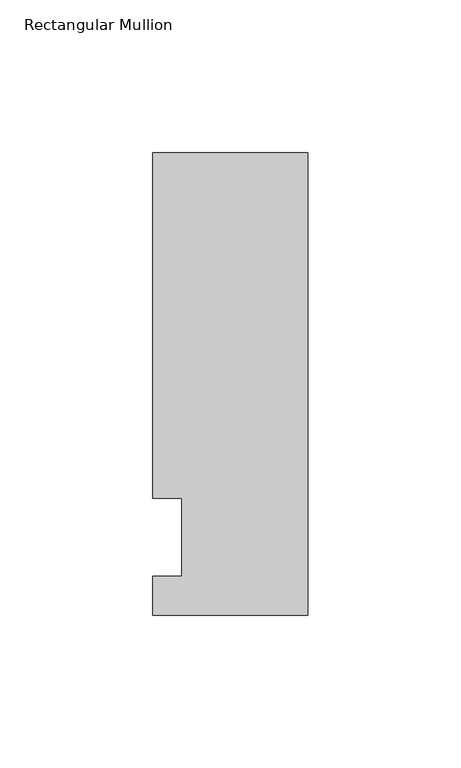
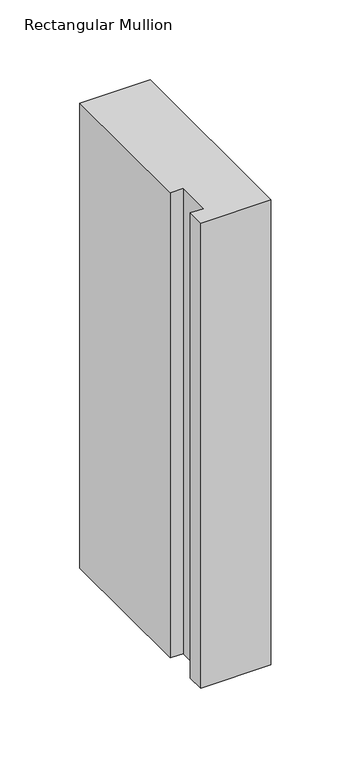
"""IFC4 building model written with IfcOpenShell, lengths in millimetres: member geometry, Rectangular Mullion."""

from ifc_helpers import new_model, si_unit, frame, origin, place, context, project, spatial, polyline, outline, extrude, source, transform, mapped, element, save


def rectangular_mullion_0ef3af2c(model_context):
    return source(origin(), model_context, "Body", "SweptSolid", [
        extrude(outline(polyline([(-50.8, -25.4508252), (-50.8, -12.7), (-41.275, -12.7), (-41.275, 12.7), (-50.8, 12.7), (-50.8, 125.8533), (0.0, 125.8533), (0.0, -25.4508252), (-50.8, -25.4508252)])), frame((0.0, 0.0, -355.6), z_axis=(0.0, 0.0, 1.0), x_axis=(1.0, 0.0, 0.0)), (0.0, 0.0, 1.0), 355.6),
    ])


if __name__ == "__main__":
    model = new_model("IFC4")
    model_context = context("Model", 3, world=origin())
    ifc_project = project(units=[si_unit("LENGTHUNIT", "METRE", prefix="MILLI")], contexts=[model_context])
    site = spatial("IfcSite", under=ifc_project)
    building = spatial("IfcBuilding", under=site)
    placement = place(None, origin())
    rectangular_mullion_shape = rectangular_mullion_0ef3af2c(model_context)
    element("IfcMember", 1, ObjectType="Rectangular Mullion", at=placement, inside=building, context=model_context, shape_type="MappedRepresentation", body=[
        mapped(rectangular_mullion_shape, transform((0.0, 0.0, 0.0), x_axis=(1.0, 0.0, 0.0), y_axis=(0.0, 1.0, 0.0), z_axis=(0.0, 0.0, 1.0))),
    ])
    save(model, "model.ifc")
